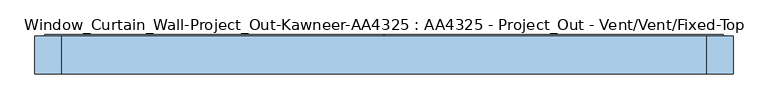
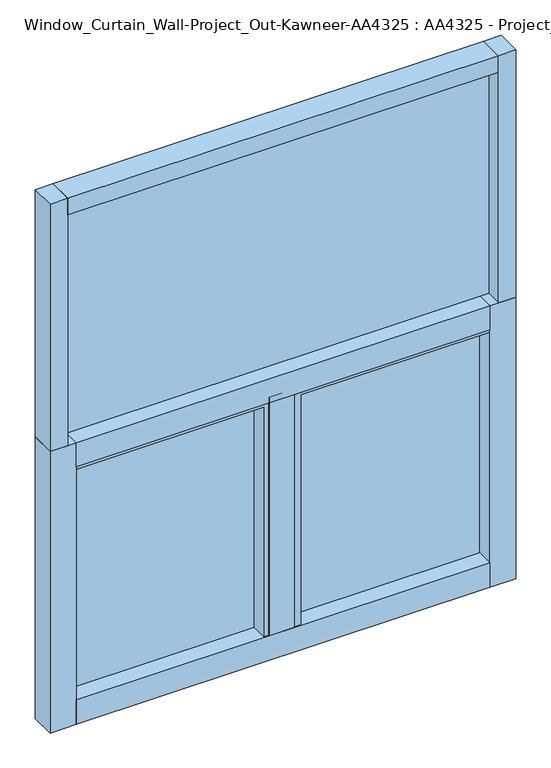
"""IFC4 building model written with IfcOpenShell, lengths in millimetres: window geometry, Window_Curtain_Wall-Project_Out-Kawneer-AA4325 : AA4325 - Project_Out - Vent/Vent/Fixed-Top."""

from ifc_helpers import new_model, si_unit, frame, origin, origin_with_axes, place, context, project, spatial, polyline, outline, extrude, source, transform, mapped, element, save


def window_curtain_wall_project_out_kawneer_aa4325_aa4325_27c4be41(model_context):
    return source(origin(), model_context, "Body", "SweptSolid", [
        extrude(outline(polyline([(762.0, 41.275), (762.0, -41.275), (704.85, -41.275), (704.85, 41.275), (762.0, 41.275)])), frame((0.0, 0.0, 974.328125), z_axis=(0.0, 0.0, 1.0), x_axis=(1.0, 0.0, 0.0)), (0.0, 0.0, 1.0), 854.471875),
        extrude(outline(polyline([(-762.0, 41.275), (-704.85, 41.275), (-704.85, -41.275), (-762.0, -41.275), (-762.0, 41.275)])), frame((0.0, 0.0, 974.328125), z_axis=(0.0, 0.0, 1.0), x_axis=(1.0, 0.0, 0.0)), (0.0, 0.0, 1.0), 854.471875),
        extrude(outline(polyline([(676.275, 41.275), (676.275, -41.275), (-676.275, -41.275), (-676.275, 41.275), (676.275, 41.275)])), frame((0.0, 0.0, 891.778125), z_axis=(0.0, 0.0, 1.0), x_axis=(1.0, 0.0, 0.0)), (0.0, 0.0, 1.0), 82.55),
        extrude(outline(polyline([(37.30625, -41.275), (-45.24375, -41.275), (-45.24375, 41.275), (37.30625, 41.275), (37.30625, -41.275)])), frame((0.0, 0.0, 85.725), z_axis=(0.0, 0.0, 1.0), x_axis=(1.0, 0.0, 0.0)), (0.0, 0.0, 1.0), 825.103125),
        extrude(outline(polyline([(21.43125, -740.56875), (21.43125, -0.79375), (939.403125, -0.79375), (939.403125, -740.56875), (21.43125, -740.56875)]), holes=[polyline([(879.078125, -680.24375), (879.078125, -61.11875), (81.75625, -61.11875), (81.75625, -680.24375), (879.078125, -680.24375)])]), frame((0.0, -38.1, 0.0), z_axis=(0.0, 1.0, 0.0), x_axis=(0.0, 0.0, 1.0)), (0.0, 0.0, 1.0), 82.55),
        extrude(outline(polyline([(939.403125, 740.56875), (939.403125, 0.79375), (21.43125, 0.79375), (21.43125, 740.56875), (939.403125, 740.56875)]), holes=[polyline([(81.75625, 680.24375), (81.75625, 61.11875), (879.078125, 61.11875), (879.078125, 680.24375), (81.75625, 680.24375)])]), frame((0.0, -38.1, 0.0), z_axis=(0.0, 1.0, 0.0), x_axis=(0.0, 0.0, 1.0)), (0.0, 0.0, 1.0), 82.55),
        extrude(outline(polyline([(-704.85, 12.7), (-704.85, 38.1), (704.85, 38.1), (704.85, 12.7), (-704.85, 12.7)])), frame((0.0, 0.0, 974.328125), z_axis=(0.0, 0.0, 1.0), x_axis=(1.0, 0.0, 0.0)), (0.0, 0.0, 1.0), 797.321875),
        extrude(outline(polyline([(61.11875, 15.875), (61.11875, 41.275), (680.24375, 41.275), (680.24375, 15.875), (61.11875, 15.875)])), frame((0.0, 0.0, 81.75625), z_axis=(0.0, 0.0, 1.0), x_axis=(1.0, 0.0, 0.0)), (0.0, 0.0, 1.0), 797.321875),
        extrude(outline(polyline([(-680.24375, 15.875), (-680.24375, 41.275), (-61.11875, 41.275), (-61.11875, 15.875), (-680.24375, 15.875)])), frame((0.0, 0.0, 81.75625), z_axis=(0.0, 0.0, 1.0), x_axis=(1.0, 0.0, 0.0)), (0.0, 0.0, 1.0), 797.321875),
        extrude(outline(polyline([(704.85, 41.275), (704.85, -41.275), (-704.85, -41.275), (-704.85, 41.275), (704.85, 41.275)])), frame((0.0, 0.0, 1771.65), z_axis=(0.0, 0.0, 1.0), x_axis=(1.0, 0.0, 0.0)), (0.0, 0.0, 1.0), 57.15),
        extrude(outline(polyline([(676.275, 41.275), (676.275, -41.275), (-676.275, -41.275), (-676.275, 41.275), (676.275, 41.275)])), origin_with_axes(), (0.0, 0.0, 1.0), 85.725),
        extrude(outline(polyline([(-762.0, -41.275), (-762.0, 41.275), (-676.275, 41.275), (-676.275, -41.275), (-762.0, -41.275)])), origin_with_axes(), (0.0, 0.0, 1.0), 974.328125),
        extrude(outline(polyline([(762.0, -41.275), (676.275, -41.275), (676.275, 41.275), (762.0, 41.275), (762.0, -41.275)])), origin_with_axes(), (0.0, 0.0, 1.0), 974.328125),
    ])


if __name__ == "__main__":
    model = new_model("IFC4")
    model_context = context("Model", 3, world=origin())
    ifc_project = project(units=[si_unit("LENGTHUNIT", "METRE", prefix="MILLI")], contexts=[model_context])
    site = spatial("IfcSite", under=ifc_project)
    building = spatial("IfcBuilding", under=site)
    placement = place(None, origin())
    window_curtain_wall_project_out_kawneer_aa4325_aa4325_shape = window_curtain_wall_project_out_kawneer_aa4325_aa4325_27c4be41(model_context)
    element("IfcWindow", 1, ObjectType="Window_Curtain_Wall-Project_Out-Kawneer-AA4325 : AA4325 - Project_Out - Vent/Vent/Fixed-Top", at=placement, inside=building, context=model_context, shape_type="MappedRepresentation", body=[
        mapped(window_curtain_wall_project_out_kawneer_aa4325_aa4325_shape, transform((0.0, 0.0, 0.0), x_axis=(1.0, 0.0, 0.0), y_axis=(0.0, 1.0, 0.0), z_axis=(0.0, 0.0, 1.0))),
    ])
    save(model, "model.ifc")
